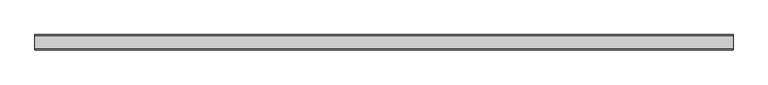
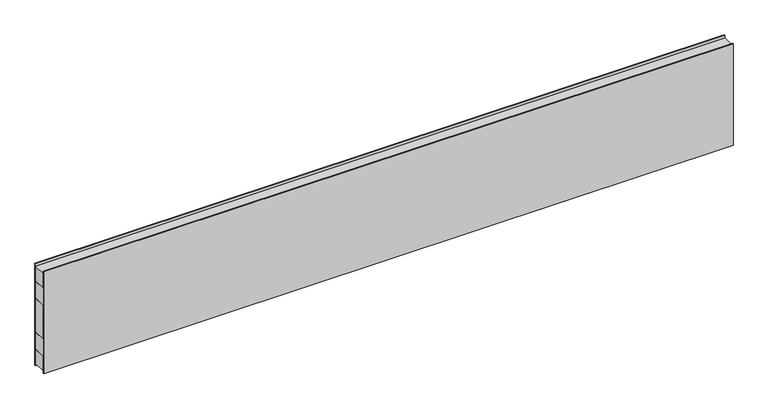
"""IFC4 building model written with IfcOpenShell, lengths in millimetres: plate geometry."""

from ifc_helpers import new_model, si_unit, frame, origin, origin_with_axes, place, context, project, spatial, polyline, outline, extrude, source, transform, mapped, element, save


def plate_8773c16c(model_context):
    return source(origin(), model_context, "Body", "SweptSolid", [
        extrude(outline(polyline([(-1919.7728176, -37.5), (-1919.7728176, 37.5), (1919.7728176, 37.5), (1919.7728176, -37.5), (-1919.7728176, -37.5)])), frame((0.0, 0.0, 400.0), z_axis=(0.0, 0.0, 1.0), x_axis=(1.0, 0.0, 0.0)), (0.0, 0.0, 1.0), 100.0),
        extrude(outline(polyline([(-1919.7728176, -37.5), (-1919.7728176, 37.5), (1919.7728176, 37.5), (1919.7728176, -37.5), (-1919.7728176, -37.5)])), frame((0.0, 0.0, 100.0), z_axis=(0.0, 0.0, 1.0), x_axis=(1.0, 0.0, 0.0)), (0.0, 0.0, 1.0), 100.0),
        extrude(outline(polyline([(-1919.7728176, -42.0), (-1919.7728176, -37.5), (1919.7728176, -37.5), (1919.7728176, -42.0), (-1919.7728176, -42.0)])), origin_with_axes(), (0.0, 0.0, 1.0), 600.0),
        extrude(outline(polyline([(-1919.7728176, 37.5), (-1919.7728176, 42.0), (1919.7728176, 42.0), (1919.7728176, 37.5), (-1919.7728176, 37.5)])), origin_with_axes(), (0.0, 0.0, 1.0), 600.0),
        extrude(outline(polyline([(1919.7728176, 37.5), (1919.7728176, -37.5), (-1919.7728176, -37.5), (-1919.7728176, 37.5), (1919.7728176, 37.5)])), frame((0.0, 0.0, 500.0), z_axis=(0.0, 0.0, 1.0), x_axis=(1.0, 0.0, 0.0)), (0.0, 0.0, 1.0), 85.0),
        extrude(outline(polyline([(1919.7728176, 37.5), (1919.7728176, -37.5), (-1919.7728176, -37.5), (-1919.7728176, 37.5), (1919.7728176, 37.5)])), frame((0.0, 0.0, 15.0), z_axis=(0.0, 0.0, 1.0), x_axis=(1.0, 0.0, 0.0)), (0.0, 0.0, 1.0), 85.0),
        extrude(outline(polyline([(1919.7728176, 37.5), (1919.7728176, -37.5), (-1919.7728176, -37.5), (-1919.7728176, 37.5), (1919.7728176, 37.5)])), frame((0.0, 0.0, 200.0), z_axis=(0.0, 0.0, 1.0), x_axis=(1.0, 0.0, 0.0)), (0.0, 0.0, 1.0), 200.0),
    ])


if __name__ == "__main__":
    model = new_model("IFC4")
    model_context = context("Model", 3, world=origin())
    ifc_project = project(units=[si_unit("LENGTHUNIT", "METRE", prefix="MILLI")], contexts=[model_context])
    site = spatial("IfcSite", under=ifc_project)
    building = spatial("IfcBuilding", under=site)
    placement = place(None, origin())
    plate_shape = plate_8773c16c(model_context)
    element("IfcPlate", 1, at=placement, inside=building, context=model_context, shape_type="MappedRepresentation", body=[
        mapped(plate_shape, transform((0.0, 0.0, 0.0), x_axis=(1.0, 0.0, 0.0), y_axis=(0.0, 1.0, 0.0), z_axis=(0.0, 0.0, 1.0))),
    ])
    save(model, "model.ifc")
